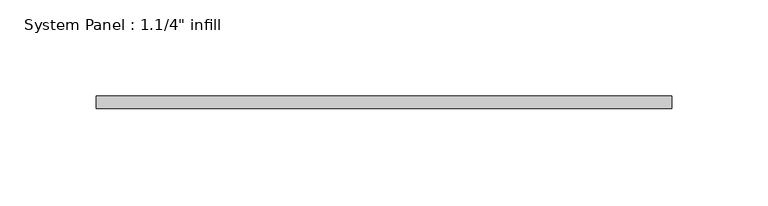
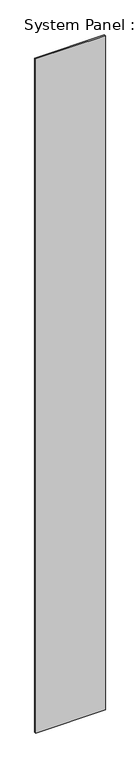
"""IFC4 building model written with IfcOpenShell, lengths in millimetres: plate geometry."""

from ifc_helpers import new_model, si_unit, origin, origin_with_axes, place, context, project, spatial, polyline, outline, extrude, source, transform, mapped, element, save


def plate_a3029377(model_context):
    return source(origin(), model_context, "Body", "SweptSolid", [
        extrude(outline(polyline([(149.225, -6.2507813), (-149.225, -6.2507813), (-149.225, 0.0992187), (149.225, 0.0992187), (149.225, -6.2507813)])), origin_with_axes(), (0.0, 0.0, 1.0), 3048.0),
    ])


if __name__ == "__main__":
    model = new_model("IFC4")
    model_context = context("Model", 3, world=origin())
    ifc_project = project(units=[si_unit("LENGTHUNIT", "METRE", prefix="MILLI")], contexts=[model_context])
    site = spatial("IfcSite", under=ifc_project)
    building = spatial("IfcBuilding", under=site)
    placement = place(None, origin())
    plate_shape = plate_a3029377(model_context)
    element("IfcPlate", 1, ObjectType="System Panel : 1.1/4\" infill", at=placement, inside=building, context=model_context, shape_type="MappedRepresentation", body=[
        mapped(plate_shape, transform((0.0, 0.0, 0.0), x_axis=(1.0, 0.0, 0.0), y_axis=(0.0, 1.0, 0.0), z_axis=(0.0, 0.0, 1.0))),
    ])
    save(model, "model.ifc")
